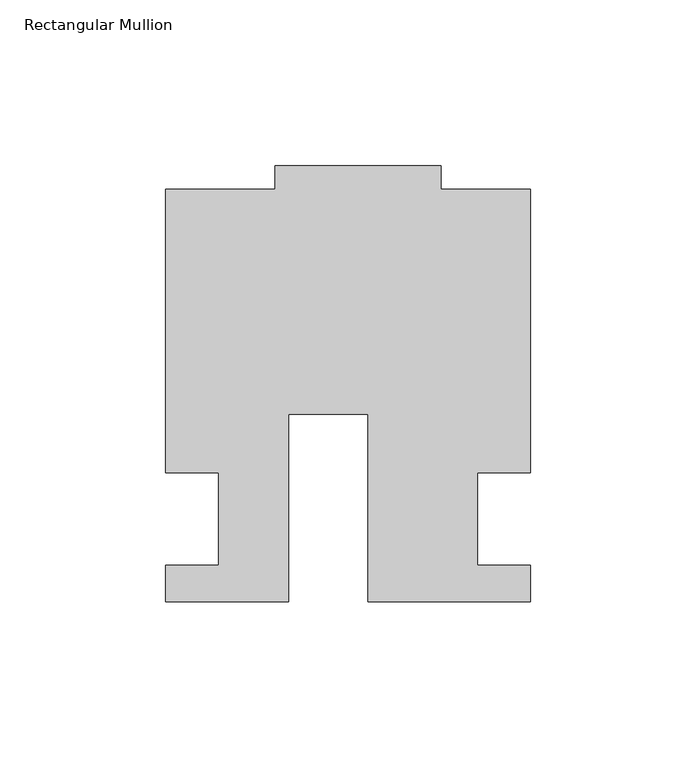
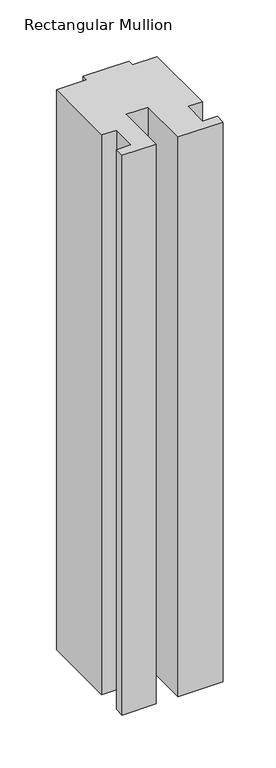
"""IFC4 building model written with IfcOpenShell, lengths in millimetres: member geometry, Rectangular Mullion."""

from ifc_helpers import new_model, si_unit, frame, origin, place, context, project, spatial, polyline, outline, extrude, source, transform, mapped, element, save


def rectangular_mullion_8b977b4e(model_context):
    return source(origin(), model_context, "Body", "SweptSolid", [
        extrude(outline(polyline([(-24.0309529, -25.0), (-61.0409135, -25.0), (-61.0409135, -14.0), (-44.9971154, -14.0), (-44.9971154, 14.0), (-60.9971154, 14.0), (-60.9971154, 99.4999439), (-27.9971154, 99.4999439), (-27.9971154, 106.5), (22.0028846, 106.5), (22.0028846, 99.5), (49.0, 99.5), (49.0, 14.0), (32.9971154, 14.0), (32.9971154, -14.0), (49.0, -14.0), (49.0, -25.0), (0.0, -25.0), (0.0, 31.6008577), (-24.0309529, 31.6008577), (-24.0309529, -25.0)])), frame((0.0, 0.0, -645.561551), z_axis=(0.0, 0.0, 1.0), x_axis=(1.0, 0.0, 0.0)), (0.0, 0.0, 1.0), 645.561551),
    ])


if __name__ == "__main__":
    model = new_model("IFC4")
    model_context = context("Model", 3, world=origin())
    ifc_project = project(units=[si_unit("LENGTHUNIT", "METRE", prefix="MILLI")], contexts=[model_context])
    site = spatial("IfcSite", under=ifc_project)
    building = spatial("IfcBuilding", under=site)
    placement = place(None, origin())
    rectangular_mullion_shape = rectangular_mullion_8b977b4e(model_context)
    element("IfcMember", 1, ObjectType="Rectangular Mullion", at=placement, inside=building, context=model_context, shape_type="MappedRepresentation", body=[
        mapped(rectangular_mullion_shape, transform((0.0, 0.0, 0.0), x_axis=(1.0, 0.0, 0.0), y_axis=(0.0, 1.0, 0.0), z_axis=(0.0, 0.0, 1.0))),
    ])
    save(model, "model.ifc")
